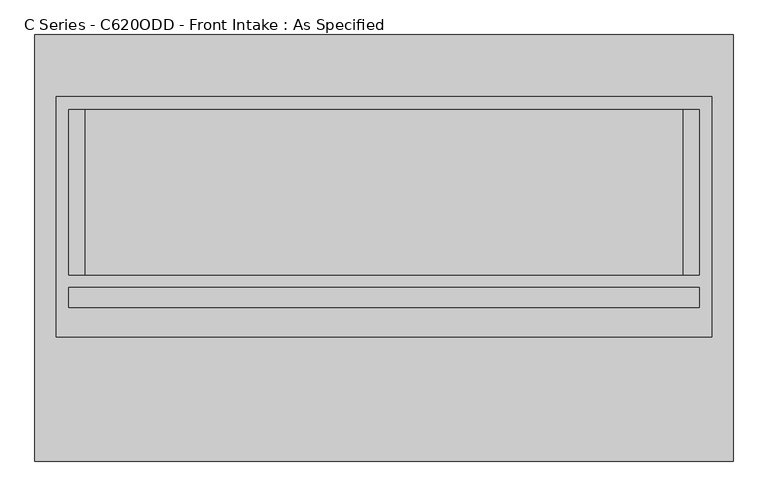
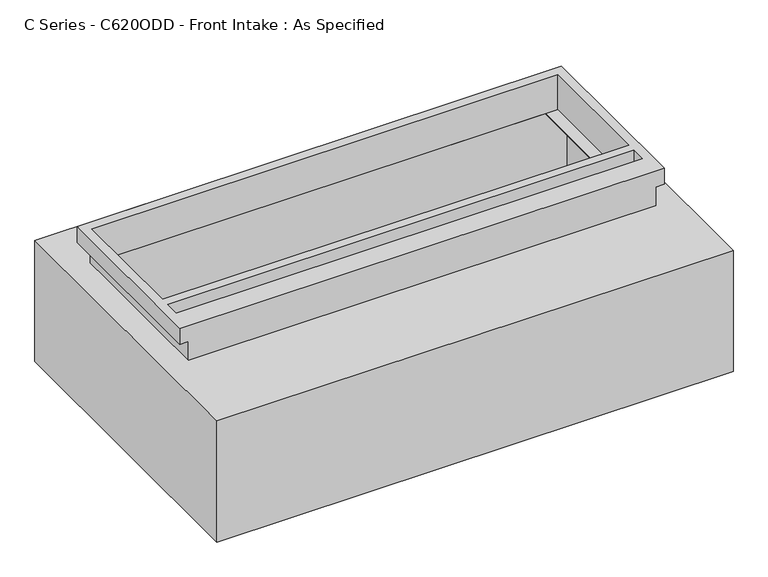
"""IFC4 building model written with IfcOpenShell, lengths in millimetres: proxy geometry, C Series - C620ODD - Front Intake : As Specified."""

from ifc_helpers import new_model, si_unit, frame, origin, place, context, project, spatial, polyline, circle_curve, faceted_brep, source, transform, mapped, element, save
from ifc_brep_helpers import plane_surface, revolved_surface, advanced_brep


def c_series_c620odd_front_intake_as_specified_9489048e(model_context):
    return source(origin(), model_context, "Body", "SolidModel", [
        advanced_brep(
        [(1069.18125, 653.3058594, -530.3242188), (1069.18125, -653.3058594, -530.3242188), (-1069.18125, -653.3058594, -530.3242188), (-1069.18125, 653.3058594, -530.3242188), (1069.18125, 653.3058594, 0.0), (-1069.18125, 653.3058594, 0.0), (-1069.18125, -653.3058594, 0.0), (1069.18125, -653.3058594, 0.0), (914.4, 424.6066406, 0.0), (914.4, -83.3933594, 0.0), (-914.4, -83.3933594, 0.0), (-914.4, 424.6066406, 0.0), (1069.18125, -272.3058594, -430.3117188), (1069.18125, -294.5308594, -430.3117188), (1069.18125, -170.7058594, -430.3117188), (1069.18125, -192.9308594, -430.3117188), (1069.18125, -272.3058594, -100.1117188), (1069.18125, -294.5308594, -100.1117188), (1069.18125, -170.7058594, -100.1117188), (1069.18125, -192.9308594, -100.1117188), (1003.3, 424.6066406, -527.05), (-1003.3, 424.6066406, -527.05), (-1003.3, -83.3933594, -527.05), (1003.3, -83.3933594, -527.05), (1003.3, 424.6066406, -3.175), (1003.3, -83.3933594, -3.175), (914.4, -83.3933594, -3.175), (914.4, 424.6066406, -3.175), (-1003.3, -83.3933594, -3.175), (-1003.3, 424.6066406, -3.175), (-914.4, 424.6066406, -3.175), (-914.4, -83.3933594, -3.175), (1053.328271, -294.5308594, -430.3117188), (1053.328271, -272.3058594, -430.3117188), (1053.328271, -192.9308594, -430.3117188), (1053.328271, -170.7058594, -430.3117188), (1053.328271, -294.5308594, -100.1117188), (1053.328271, -272.3058594, -100.1117188), (1053.328271, -192.9308594, -100.1117188), (1053.328271, -170.7058594, -100.1117188)],
        [
            (0, 1),
            (1, 2),
            (2, 3),
            (3, 0),
            (4, 5),
            (5, 6),
            (6, 7),
            (7, 4),
            (8, 9),
            (9, 10),
            (10, 11),
            (11, 8),
            (3, 5),
            (4, 0),
            (2, 6),
            (1, 7),
            (12, 13, circle_curve(frame((1069.18125, -283.4183594, -430.3117188), z_axis=(-1.0, 0.0, 0.0), x_axis=(0.0, 1.0, 0.0)), 11.1125)),
            (13, 12, circle_curve(frame((1069.18125, -283.4183594, -430.3117188), z_axis=(-1.0, 0.0, 0.0), x_axis=(0.0, 1.0, 0.0)), 11.1125)),
            (14, 15, circle_curve(frame((1069.18125, -181.8183594, -430.3117188), z_axis=(-1.0, 0.0, 0.0), x_axis=(0.0, 1.0, 0.0)), 11.1125)),
            (15, 14, circle_curve(frame((1069.18125, -181.8183594, -430.3117188), z_axis=(-1.0, 0.0, 0.0), x_axis=(0.0, 1.0, 0.0)), 11.1125)),
            (16, 17, circle_curve(frame((1069.18125, -283.4183594, -100.1117188), z_axis=(-1.0, 0.0, 0.0), x_axis=(0.0, 1.0, 0.0)), 11.1125)),
            (17, 16, circle_curve(frame((1069.18125, -283.4183594, -100.1117188), z_axis=(-1.0, 0.0, 0.0), x_axis=(0.0, 1.0, 0.0)), 11.1125)),
            (18, 19, circle_curve(frame((1069.18125, -181.8183594, -100.1117188), z_axis=(-1.0, 0.0, 0.0), x_axis=(0.0, 1.0, 0.0)), 11.1125)),
            (19, 18, circle_curve(frame((1069.18125, -181.8183594, -100.1117188), z_axis=(-1.0, 0.0, 0.0), x_axis=(0.0, 1.0, 0.0)), 11.1125)),
            (20, 21),
            (21, 22),
            (22, 23),
            (23, 20),
            (24, 25),
            (25, 26),
            (26, 27),
            (27, 24),
            (28, 29),
            (29, 30),
            (30, 31),
            (31, 28),
            (23, 25),
            (24, 20),
            (22, 28),
            (31, 10),
            (9, 26),
            (21, 29),
            (27, 8),
            (11, 30),
            (32, 33, circle_curve(frame((1053.328271, -283.4183594, -430.3117188), z_axis=(1.0, 0.0, 0.0), x_axis=(0.0, 1.0, 0.0)), 11.1125)),
            (33, 32, circle_curve(frame((1053.328271, -283.4183594, -430.3117188), z_axis=(1.0, 0.0, 0.0), x_axis=(0.0, 1.0, 0.0)), 11.1125)),
            (34, 35, circle_curve(frame((1053.328271, -181.8183594, -430.3117188), z_axis=(1.0, 0.0, 0.0), x_axis=(0.0, 1.0, 0.0)), 11.1125)),
            (35, 34, circle_curve(frame((1053.328271, -181.8183594, -430.3117188), z_axis=(1.0, 0.0, 0.0), x_axis=(0.0, 1.0, 0.0)), 11.1125)),
            (36, 37, circle_curve(frame((1053.328271, -283.4183594, -100.1117188), z_axis=(1.0, 0.0, 0.0), x_axis=(0.0, 1.0, 0.0)), 11.1125)),
            (37, 36, circle_curve(frame((1053.328271, -283.4183594, -100.1117188), z_axis=(1.0, 0.0, 0.0), x_axis=(0.0, 1.0, 0.0)), 11.1125)),
            (38, 39, circle_curve(frame((1053.328271, -181.8183594, -100.1117188), z_axis=(1.0, 0.0, 0.0), x_axis=(0.0, 1.0, 0.0)), 11.1125)),
            (39, 38, circle_curve(frame((1053.328271, -181.8183594, -100.1117188), z_axis=(1.0, 0.0, 0.0), x_axis=(0.0, 1.0, 0.0)), 11.1125)),
            (32, 13),
            (12, 33),
            (34, 15),
            (14, 35),
            (36, 17),
            (16, 37),
            (38, 19),
            (18, 39),
        ],
        [
            plane_surface(frame((-1069.18125, 653.3058594, -530.3242188), z_axis=(0.0, 0.0, -1.0), x_axis=(1.0, 0.0, 0.0))),
            plane_surface(frame((-1069.18125, 653.3058594, 0.0), z_axis=(0.0, 0.0, 1.0), x_axis=(-1.0, 0.0, 0.0))),
            plane_surface(frame((1069.18125, 653.3058594, 0.0), z_axis=(0.0, 1.0, 0.0), x_axis=(0.0, 0.0, -1.0))),
            plane_surface(frame((-1069.18125, 653.3058594, 0.0), z_axis=(-1.0, 0.0, 0.0), x_axis=(0.0, 0.0, -1.0))),
            plane_surface(frame((-1069.18125, -653.3058594, 0.0), z_axis=(0.0, -1.0, 0.0), x_axis=(0.0, 0.0, -1.0))),
            plane_surface(frame((1069.18125, -653.3058594, 0.0), z_axis=(1.0, 0.0, 0.0), x_axis=(0.0, 0.0, -1.0))),
            plane_surface(frame((1003.3, 424.6066406, -527.05), z_axis=(0.0, 0.0, 1.0), x_axis=(0.0, -1.0, 0.0))),
            plane_surface(frame((1003.3, 424.6066406, -3.175), z_axis=(0.0, 0.0, -1.0), x_axis=(0.0, 1.0, 0.0))),
            plane_surface(frame((1003.3, 424.6066406, -527.05), z_axis=(-1.0, 0.0, 0.0), x_axis=(0.0, 0.0, 1.0))),
            plane_surface(frame((1003.3, -83.3933594, -527.05), z_axis=(0.0, 1.0, 0.0), x_axis=(0.0, 0.0, 1.0))),
            plane_surface(frame((-1003.3, -83.3933594, -527.05), z_axis=(1.0, 0.0, 0.0), x_axis=(0.0, 0.0, 1.0))),
            plane_surface(frame((-1003.3, 424.6066406, -527.05), z_axis=(0.0, -1.0, 0.0), x_axis=(0.0, 0.0, 1.0))),
            plane_surface(frame((914.4, 424.6066406, -25.4), z_axis=(-1.0, 0.0, 0.0), x_axis=(0.0, 0.0, 1.0))),
            plane_surface(frame((-914.4, -83.3933594, -25.4), z_axis=(1.0, 0.0, 0.0), x_axis=(0.0, 0.0, 1.0))),
            plane_surface(frame((1053.328271, -272.3058594, -430.3117188), z_axis=(1.0, 0.0, 0.0), x_axis=(0.0, 0.0, -1.0))),
            revolved_surface(polyline([(1069.18125, -272.3058594, -430.3117188), (1053.328271, -272.3058594, -430.3117188)]), (1053.328271, -283.4183594, -430.3117188), (1.0, 0.0, 0.0)),
            revolved_surface(polyline([(1069.18125, -170.70585939999998, -430.3117188), (1053.328271, -170.70585939999998, -430.3117188)]), (0.0, -181.8183594, -430.3117188), (1.0, 0.0, 0.0)),
            revolved_surface(polyline([(1069.18125, -272.3058594, -100.1117188), (1053.328271, -272.3058594, -100.1117188)]), (0.0, -283.4183594, -100.1117188), (1.0, 0.0, 0.0)),
            revolved_surface(polyline([(1069.18125, -170.70585939999998, -100.1117188), (1053.328271, -170.70585939999998, -100.1117188)]), (0.0, -181.8183594, -100.1117188), (1.0, 0.0, 0.0)),
        ],
        [
            (0, [[1, 2, 3, 4]]),
            (1, [[5, 6, 7, 8], [9, 10, 11, 12]]),
            (2, [[-4, 13, -5, 14]]),
            (3, [[-3, 15, -6, -13]]),
            (4, [[-2, 16, -7, -15]]),
            (5, [[-1, -14, -8, -16], [17, 18], [19, 20], [21, 22], [23, 24]]),
            (6, [[25, 26, 27, 28]]),
            (7, [[29, 30, 31, 32]]),
            (7, [[33, 34, 35, 36]]),
            (8, [[-28, 37, -29, 38]]),
            (9, [[-27, 39, -36, 40, -10, 41, -30, -37]]),
            (10, [[-26, 42, -33, -39]]),
            (11, [[-25, -38, -32, 43, -12, 44, -34, -42]]),
            (12, [[-43, -31, -41, -9]]),
            (13, [[-40, -35, -44, -11]]),
            (14, [[45, 46]]),
            (14, [[47, 48]]),
            (14, [[49, 50]]),
            (14, [[51, 52]]),
            (15, [[-45, 53, -17, 54]]),
            (15, [[-46, -54, -18, -53]]),
            (16, [[-47, 55, -19, 56]]),
            (16, [[-48, -56, -20, -55]]),
            (17, [[-49, 57, -21, 58]]),
            (17, [[-50, -58, -22, -57]]),
            (18, [[-51, 59, -23, 60]]),
            (18, [[-52, -60, -24, -59]]),
        ],
    ),
        faceted_brep([(1003.3, 464.2941406, 152.4), (-1003.3, 464.2941406, 152.4), (-1003.3, -272.3058594, 152.4), (1003.3, -272.3058594, 152.4), (965.2, 424.6066406, 152.4), (965.2, -83.3933594, 152.4), (-965.2, -83.3933594, 152.4), (-965.2, 424.6066406, 152.4), (965.2, -121.4933594, 152.4), (965.2, -181.8183594, 152.4), (-965.2, -181.8183594, 152.4), (-965.2, -121.4933594, 152.4), (968.375, -272.3058594, 0.0), (-968.375, -272.3058594, 0.0), (-968.375, 429.3691406, 0.0), (968.375, 429.3691406, 0.0), (965.2, -83.3933594, 0.0), (965.2, 424.6066406, 0.0), (-965.2, 424.6066406, 0.0), (-965.2, -83.3933594, 0.0), (1003.3, 464.2941406, 82.55), (-1003.3, 464.2941406, 82.55), (-1003.3, -272.3058594, 82.55), (-968.375, -272.3058594, 82.55), (968.375, -272.3058594, 82.55), (1003.3, -272.3058594, 82.55), (968.375, 429.3691406, 82.55), (-968.375, 429.3691406, 82.55), (965.2, -121.4933594, 82.55), (-965.2, -121.4933594, 82.55), (-965.2, -181.8183594, 82.55), (965.2, -181.8183594, 82.55)], [[[0, 1, 2, 3], [4, 5, 6, 7], [8, 9, 10, 11]], [[12, 13, 14, 15], [16, 17, 18, 19]], [[1, 0, 20, 21]], [[2, 1, 21, 22]], [[3, 2, 22, 23, 13, 12, 24, 25]], [[0, 3, 25, 20]], [[24, 26, 27, 23, 22, 21, 20, 25]], [[26, 24, 12, 15]], [[27, 26, 15, 14]], [[23, 27, 14, 13]], [[16, 5, 4, 17]], [[5, 16, 19, 6]], [[6, 19, 18, 7]], [[17, 4, 7, 18]], [[28, 29, 30, 31]], [[28, 31, 9, 8]], [[31, 30, 10, 9]], [[30, 29, 11, 10]], [[29, 28, 8, 11]]]),
    ])


if __name__ == "__main__":
    model = new_model("IFC4")
    model_context = context("Model", 3, world=origin())
    ifc_project = project(units=[si_unit("LENGTHUNIT", "METRE", prefix="MILLI")], contexts=[model_context])
    site = spatial("IfcSite", under=ifc_project)
    building = spatial("IfcBuilding", under=site)
    placement = place(None, origin())
    c_series_c620odd_front_intake_as_specified_shape = c_series_c620odd_front_intake_as_specified_9489048e(model_context)
    element("IfcBuildingElementProxy", 1, Name="C Series - C620ODD - Front Intake : As Specified", ObjectType="C Series - C620ODD - Front Intake : As Specified", at=placement, inside=building, context=model_context, shape_type="MappedRepresentation", body=[
        mapped(c_series_c620odd_front_intake_as_specified_shape, transform((0.0, 0.0, 0.0), x_axis=(1.0, 0.0, 0.0), y_axis=(0.0, 1.0, 0.0), z_axis=(0.0, 0.0, 1.0))),
    ])
    save(model, "model.ifc")
